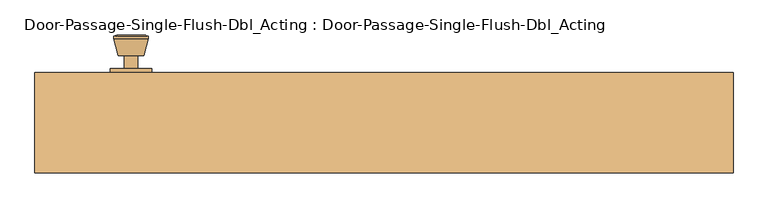
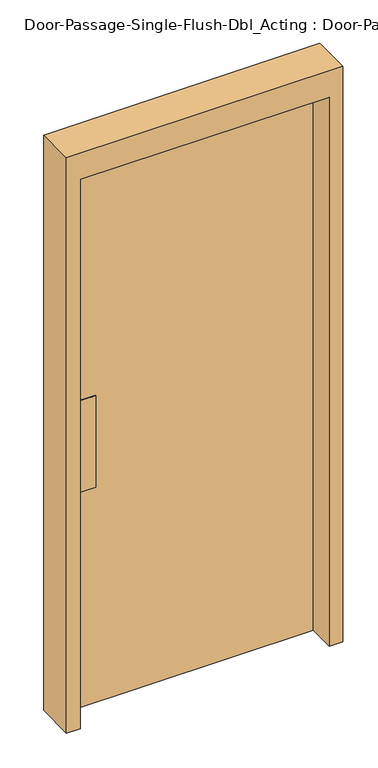
"""IFC4 building model written with IfcOpenShell, lengths in millimetres: door geometry, Door-Passage-Single-Flush-Dbl_Acting : Door-Passage-Single-Flush-Dbl_Acting."""

import ifcopenshell
import ifcopenshell.guid

model = None  # the IFC model being written
_history = None  # IfcOwnerHistory: only IFC2X3 demands one
_inside = {}  # id of a spatial element -> (the spatial element, [elements in it])
_under = {}  # id of a project, library or spatial element -> (it, [spatial elements below it])
_declared = {}  # id of a project -> (the project, [libraries it declares])
_typed = {}  # id of a type object -> (the type object, [elements of that type])
_made_of = {}  # id of a material, layer set ... -> (it, [elements and type objects made of it])


def new_model(schema):
    """Start an empty IFC model of exactly this schema.

    Asked for "IFC4X3", IfcOpenShell would pick the latest addendum, in which some entities
    have other attributes; the version numbers below select the first issue.
    IFC2X3 requires an IfcOwnerHistory on every rooted entity: one is made here for all.
    """
    global model, _history
    if schema == "IFC4X3":
        model = ifcopenshell.file(schema_version=(4, 3, 0, 0))
    else:
        model = ifcopenshell.file(schema=schema)
    _inside.clear()
    _under.clear()
    _declared.clear()
    _typed.clear()
    _made_of.clear()
    _history = None
    if model.schema == "IFC2X3":
        org = make("IfcOrganization", Name="unknown")
        user = make(
            "IfcPersonAndOrganization",
            ThePerson=make("IfcPerson", FamilyName="unknown"),
            TheOrganization=org,
        )
        app = make(
            "IfcApplication",
            ApplicationDeveloper=org,
            Version="unknown",
            ApplicationFullName="unknown",
            ApplicationIdentifier="unknown",
        )
        _history = make(
            "IfcOwnerHistory",
            OwningUser=user,
            OwningApplication=app,
            ChangeAction="ADDED",
            CreationDate=0,
        )
    return model


def make(cls, **values):
    """One entity of the class cls with the attributes given. An attribute that is None is left unset."""
    return model.create_entity(
        cls, **{name: value for name, value in values.items() if value is not None}
    )


def rooted(cls, **values):
    """An entity with a GlobalId (a new one), such as an element, a storey or a relation."""
    return make(cls, GlobalId=ifcopenshell.guid.new(), OwnerHistory=_history, **values)


def si_unit(unit_type, name, prefix=None):
    """IfcSIUnit, for example si_unit("LENGTHUNIT", "METRE", prefix="MILLI")."""
    return make("IfcSIUnit", UnitType=unit_type, Prefix=prefix, Name=name)


def assignment(units):
    """IfcUnitAssignment: the units of a project."""
    return None if units is None else make("IfcUnitAssignment", Units=units)


def point(xyz):
    """IfcCartesianPoint."""
    return None if xyz is None else make("IfcCartesianPoint", Coordinates=xyz)


def direction(xyz):
    """IfcDirection."""
    return None if xyz is None else make("IfcDirection", DirectionRatios=xyz)


def frame(location, z_axis=None, x_axis=None):
    """IfcAxis2Placement3D, a coordinate frame: its origin and axes. An axis left out is left unset."""
    return make(
        "IfcAxis2Placement3D",
        Location=point(location),
        Axis=direction(z_axis),
        RefDirection=direction(x_axis),
    )


def frame_2d(location, x_axis=None):
    """IfcAxis2Placement2D, a coordinate frame in the plane: its origin and x axis."""
    return make(
        "IfcAxis2Placement2D", Location=point(location), RefDirection=direction(x_axis)
    )


def origin():
    """The frame at (0, 0, 0) with its axes left unset."""
    return frame((0.0, 0.0, 0.0))


def origin_with_axes():
    """The frame at (0, 0, 0) with the z axis (0, 0, 1) and the x axis (1, 0, 0) written out."""
    return frame((0.0, 0.0, 0.0), z_axis=(0.0, 0.0, 1.0), x_axis=(1.0, 0.0, 0.0))


def place(relative_to, where):
    """IfcLocalPlacement: puts the frame where relative to a parent placement (None: the world)."""
    return make(
        "IfcLocalPlacement", PlacementRelTo=relative_to, RelativePlacement=where
    )


def context(
    kind, dimensions, precision=None, world=None, true_north=None, identifier=None
):
    """IfcGeometricRepresentationContext, for example the 3D "Model" context."""
    return make(
        "IfcGeometricRepresentationContext",
        ContextIdentifier=identifier,
        ContextType=kind,
        CoordinateSpaceDimension=dimensions,
        Precision=precision,
        WorldCoordinateSystem=world,
        TrueNorth=true_north,
    )


def project(units=None, contexts=None):
    """IfcProject with its units and contexts."""
    return rooted(
        "IfcProject",
        Name="project",
        RepresentationContexts=contexts,
        UnitsInContext=assignment(units),
    )


def spatial(cls, under=None, at=None, **own):
    """A site, building, storey or space (cls), placed at a placement, below another one or the project."""
    s = rooted(cls, ObjectPlacement=at, **own)
    if under is not None:
        _under.setdefault(under.id(), (under, []))[1].append(s)
    return s


def polyline(points):
    """IfcPolyline through the points."""
    return make("IfcPolyline", Points=[point(p) for p in points])


def circle_curve(where, radius):
    """IfcCircle in the frame where."""
    return make("IfcCircle", Position=where, Radius=radius)


def trimmed(basis, trim1, trim2, sense, master):
    """IfcTrimmedCurve: the piece of a basis curve between two trims."""
    return make(
        "IfcTrimmedCurve",
        BasisCurve=basis,
        Trim1=trim1,
        Trim2=trim2,
        SenseAgreement=sense,
        MasterRepresentation=master,
    )


def segment(curve, same_sense, transition):
    """IfcCompositeCurveSegment."""
    return make(
        "IfcCompositeCurveSegment",
        Transition=transition,
        SameSense=same_sense,
        ParentCurve=curve,
    )


def composite_curve(segments, self_intersect=None):
    """IfcCompositeCurve: segments joined end to end."""
    return make("IfcCompositeCurve", Segments=segments, SelfIntersect=self_intersect)


def outline(outer, holes=None, kind="AREA"):
    """IfcArbitraryClosedProfileDef: a profile drawn as a closed curve; with holes, ...WithVoids."""
    if holes is None:
        return make("IfcArbitraryClosedProfileDef", ProfileType=kind, OuterCurve=outer)
    return make(
        "IfcArbitraryProfileDefWithVoids",
        ProfileType=kind,
        OuterCurve=outer,
        InnerCurves=holes,
    )


def extrude(swept, where, along, depth):
    """IfcExtrudedAreaSolid: the profile swept, set in the frame where, extruded along a direction by depth."""
    return make(
        "IfcExtrudedAreaSolid",
        SweptArea=swept,
        Position=where,
        ExtrudedDirection=direction(along),
        Depth=depth,
    )


def shape(context_of_items, identifier, shape_type, items):
    """IfcShapeRepresentation: the items that make up one representation, for example the "Body"."""
    return make(
        "IfcShapeRepresentation",
        ContextOfItems=context_of_items,
        RepresentationIdentifier=identifier,
        RepresentationType=shape_type,
        Items=items,
    )


def source(mapping_origin, context_of_items, identifier, shape_type, items):
    """IfcRepresentationMap: a shape defined once, which mapped items show again and again."""
    return make(
        "IfcRepresentationMap",
        MappingOrigin=mapping_origin,
        MappedRepresentation=shape(context_of_items, identifier, shape_type, items),
    )


def transform(
    local_origin,
    x_axis=None,
    y_axis=None,
    z_axis=None,
    scale=None,
    scale2=None,
    scale3=None,
    uniform=True,
):
    """IfcCartesianTransformationOperator3D, or its non-uniform kind. x_axis, y_axis, z_axis: its Axis1, 2, 3."""
    if uniform:
        return make(
            "IfcCartesianTransformationOperator3D",
            Axis1=direction(x_axis),
            Axis2=direction(y_axis),
            LocalOrigin=point(local_origin),
            Scale=scale,
            Axis3=direction(z_axis),
        )
    return make(
        "IfcCartesianTransformationOperator3DnonUniform",
        Axis1=direction(x_axis),
        Axis2=direction(y_axis),
        LocalOrigin=point(local_origin),
        Scale=scale,
        Axis3=direction(z_axis),
        Scale2=scale2,
        Scale3=scale3,
    )


def mapped(mapping_source, mapping_target):
    """IfcMappedItem: shows the shape of a source again, moved by a transform."""
    return make(
        "IfcMappedItem", MappingSource=mapping_source, MappingTarget=mapping_target
    )


def made_of(thing, what):
    """Note that an element or type object is made of a material, layer set ...; save() writes the relation."""
    if what is not None:
        _made_of.setdefault(what.id(), (what, []))[1].append(thing)
    return thing


def element(
    cls,
    number,
    at=None,
    inside=None,
    cuts=None,
    type_object=None,
    material=None,
    context=None,
    identifier="Body",
    shape_type=None,
    held_by="IfcProductDefinitionShape",
    body=None,
    shapes=None,
    **own,
):
    """One element of the class cls, such as IfcWall. Its Tag is "e" and its number.

    at: its placement. inside: the storey or other place that contains it. cuts: it is an
    opening in that element (IfcRelVoidsElement). A single representation is given by context,
    identifier, shape_type and body (its items); several are given by shapes. held_by: the class
    of the entity that holds the representations. save() writes the other relations.
    """
    e = rooted(cls, Tag="e%d" % number, ObjectPlacement=at, **own)
    if body is not None:
        shapes = [shape(context, identifier, shape_type, body)]
    if shapes is not None:
        e.Representation = make(held_by, Representations=shapes)
    if inside is not None:
        _inside.setdefault(inside.id(), (inside, []))[1].append(e)
    if cuts is not None:
        rooted(
            "IfcRelVoidsElement", RelatingBuildingElement=cuts, RelatedOpeningElement=e
        )
    if type_object is not None:
        _typed.setdefault(type_object.id(), (type_object, []))[1].append(e)
    return made_of(e, material)


def aggregate(whole, parts):
    """IfcRelAggregates: a whole, such as a stair, and the parts it consists of."""
    return rooted("IfcRelAggregates", RelatingObject=whole, RelatedObjects=parts)


def save(model, path):
    """Write the relations noted so far, then the file.

    IfcRelAggregates (storeys below a building ...), IfcRelContainedInSpatialStructure (elements
    in a storey), IfcRelDefinesByType, IfcRelAssociatesMaterial and IfcRelDeclares: one each for
    every whole, place, type object, material and project.
    """
    for whole, parts in _under.values():
        aggregate(whole, parts)
    for where, things in _inside.values():
        rooted(
            "IfcRelContainedInSpatialStructure",
            RelatedElements=things,
            RelatingStructure=where,
        )
    for kind, things in _typed.values():
        rooted("IfcRelDefinesByType", RelatedObjects=things, RelatingType=kind)
    for what, things in _made_of.values():
        rooted("IfcRelAssociatesMaterial", RelatedObjects=things, RelatingMaterial=what)
    for by, libraries in _declared.values():
        rooted("IfcRelDeclares", RelatingContext=by, RelatedDefinitions=libraries)
    model.write(path)


def plane_surface(at):
    """IfcPlane: the flat surface through the origin of the frame at, square to its z axis."""
    return make("IfcPlane", Position=at)


def cylinder_surface(at, radius):
    """IfcCylindricalSurface: all points at the distance radius from the z axis of the frame at."""
    return make("IfcCylindricalSurface", Position=at, Radius=radius)


def revolved_surface(curve, axis_point, axis_direction):
    """IfcSurfaceOfRevolution: the curve turned about the line through axis_point along axis_direction."""
    return make(
        "IfcSurfaceOfRevolution",
        SweptCurve=make("IfcArbitraryOpenProfileDef", ProfileType="CURVE", Curve=curve),
        AxisPosition=make("IfcAxis1Placement", Location=point(axis_point), Axis=direction(axis_direction)),
    )


def advanced_brep(points, edges, surfaces, faces):
    """IfcAdvancedBrep: a solid bounded by faces that lie on surfaces and meet in shared edges.

    An edge is (start, end): straight between two places in points (the first is 0);
    or (start, end, curve); or (start, end, curve, False) where it runs against its curve.
    A face is (place in surfaces, loops), or (place, loops, False) where it looks against
    its surface's normal. A loop lists edges by number (the first is 1), with a minus sign
    where the edge is run from its end to its start. The first loop is the outer one.
    """
    corners = [point(p) for p in points]
    vertices = [make("IfcVertexPoint", VertexGeometry=c) for c in corners]
    made = []
    for start, end, *more in edges:
        made.append(
            make(
                "IfcEdgeCurve",
                EdgeStart=vertices[start],
                EdgeEnd=vertices[end],
                EdgeGeometry=more[0] if more else make("IfcPolyline", Points=[corners[start], corners[end]]),
                SameSense=more[1] if len(more) > 1 else True,
            )
        )
    hull = []
    for where, loops, *sense in faces:
        bounds = []
        for j, loop in enumerate(loops):
            ring = [make("IfcOrientedEdge", EdgeElement=made[abs(k) - 1], Orientation=k > 0) for k in loop]
            bounds.append(
                make(
                    "IfcFaceOuterBound" if j == 0 else "IfcFaceBound",
                    Bound=make("IfcEdgeLoop", EdgeList=ring),
                    Orientation=True,
                )
            )
        hull.append(make("IfcAdvancedFace", Bounds=bounds, FaceSurface=surfaces[where], SameSense=sense[0] if sense else True))
    return make("IfcAdvancedBrep", Outer=make("IfcClosedShell", CfsFaces=hull))


def door_passage_single_flush_dbl_acting_door_passage_single_1b7eae16(model_context):
    return source(origin(), model_context, "Body", "SolidModel", [
        advanced_brep(
        [(-368.3, 88.55, 1016.0), (-378.3, 88.55, 1016.0), (-358.3, 88.55, 1016.0), (-347.8241324, 137.55, 1016.0), (-388.7758676, 137.55, 1016.0), (-368.3, 137.55, 1016.0), (-343.3, 135.7221319, 1016.0), (-393.3, 135.7221319, 1016.0), (-343.3, 132.2584537, 1016.0), (-393.3, 132.2584537, 1016.0), (-349.663764, 107.55, 1016.0), (-386.936236, 107.55, 1016.0), (-358.3, 107.55, 1016.0), (-378.3, 107.55, 1016.0)],
        [
            (0, 1),
            (1, 2, circle_curve(frame((-368.3, 88.55, 1016.0), z_axis=(0.0, -1.0, 0.0), x_axis=(-1.0, 0.0, 0.0)), 10.0)),
            (2, 0),
            (2, 1, circle_curve(frame((-368.3, 88.55, 1016.0), z_axis=(0.0, -1.0, 0.0), x_axis=(-1.0, 0.0, 0.0)), 10.0)),
            (3, 4, circle_curve(frame((-368.3, 137.55, 1016.0), z_axis=(0.0, 1.0, 0.0), x_axis=(-1.0, 0.0, 0.0)), 20.4758676)),
            (4, 5),
            (5, 3),
            (4, 3, circle_curve(frame((-368.3, 137.55, 1016.0), z_axis=(0.0, 1.0, 0.0), x_axis=(-1.0, 0.0, 0.0)), 20.4758676)),
            (6, 7, circle_curve(frame((-368.3, 135.7221319, 1016.0), z_axis=(0.0, 1.0, 0.0), x_axis=(-1.0, 0.0, 0.0)), 25.0)),
            (7, 4),
            (3, 6),
            (7, 6, circle_curve(frame((-368.3, 135.7221319, 1016.0), z_axis=(0.0, 1.0, 0.0), x_axis=(-1.0, 0.0, 0.0)), 25.0)),
            (8, 9, circle_curve(frame((-368.3, 132.2584537, 1016.0), z_axis=(0.0, 1.0, 0.0), x_axis=(-1.0, 0.0, 0.0)), 25.0)),
            (9, 7),
            (6, 8),
            (9, 8, circle_curve(frame((-368.3, 132.2584537, 1016.0), z_axis=(0.0, 1.0, 0.0), x_axis=(-1.0, 0.0, 0.0)), 25.0)),
            (10, 11, circle_curve(frame((-368.3, 107.55, 1016.0), z_axis=(0.0, 1.0, 0.0), x_axis=(-1.0, 0.0, 0.0)), 18.636236)),
            (11, 9),
            (8, 10),
            (11, 10, circle_curve(frame((-368.3, 107.55, 1016.0), z_axis=(0.0, 1.0, 0.0), x_axis=(-1.0, 0.0, 0.0)), 18.636236)),
            (12, 13, circle_curve(frame((-368.3, 107.55, 1016.0), z_axis=(0.0, 1.0, 0.0), x_axis=(-1.0, 0.0, 0.0)), 10.0)),
            (13, 11),
            (10, 12),
            (13, 12, circle_curve(frame((-368.3, 107.55, 1016.0), z_axis=(0.0, 1.0, 0.0), x_axis=(-1.0, 0.0, 0.0)), 10.0)),
            (1, 13),
            (12, 2),
        ],
        [
            plane_surface(frame((-368.3, 88.55, 1016.0), z_axis=(0.0, -1.0, 0.0), x_axis=(-1.0, 0.0, 0.0))),
            plane_surface(frame((-368.3, 137.55, 1016.0), z_axis=(0.0, 1.0, 0.0), x_axis=(-1.0, 0.0, 0.0))),
            revolved_surface(polyline([(-388.7758676, 137.55, 1016.0), (-393.3, 135.7221319, 1016.0)]), (-368.3, 88.55, 1016.0), (0.0, -1.0, 0.0)),
            cylinder_surface(frame((-368.3, 88.55, 1016.0), z_axis=(0.0, -1.0, 0.0), x_axis=(-1.0, 0.0, 0.0)), 25.0),
            revolved_surface(polyline([(-393.3, 132.2584537, 1016.0), (-386.936236, 107.55, 1016.0)]), (-368.3, 88.55, 1016.0), (0.0, -1.0, 0.0)),
            plane_surface(frame((-368.3, 107.55, 1016.0), z_axis=(0.0, -1.0, 0.0), x_axis=(-1.0, 0.0, 0.0))),
            cylinder_surface(frame((-368.3, 88.55, 1016.0), z_axis=(0.0, -1.0, 0.0), x_axis=(-1.0, 0.0, 0.0)), 10.0),
        ],
        [
            (0, [[1, 2, 3]]),
            (0, [[-3, 4, -1]]),
            (1, [[5, 6, 7]]),
            (1, [[8, -7, -6]]),
            (2, [[9, 10, -5, 11]]),
            (2, [[12, -11, -8, -10]]),
            (3, [[13, 14, -9, 15]]),
            (3, [[16, -15, -12, -14]]),
            (4, [[17, 18, -13, 19]]),
            (4, [[20, -19, -16, -18]]),
            (5, [[21, 22, -17, 23]]),
            (5, [[24, -23, -20, -22]]),
            (6, [[-2, 25, -21, 26]]),
            (6, [[-4, -26, -24, -25]]),
        ],
    ),
        extrude(outline(composite_curve([segment(trimmed(circle_curve(frame_2d((1016.0, -368.3)), 30.0), [point((1016.0, -398.3))], [point((1016.0, -338.3))], False, "CARTESIAN"), True, "CONTINUOUS"), segment(trimmed(circle_curve(frame_2d((1016.0, -368.3)), 30.0), [point((1016.0, -338.3))], [point((1016.0, -398.3))], False, "CARTESIAN"), True, "CONTINUOUS")], self_intersect=False)), frame((0.0, 82.55, 0.0), z_axis=(0.0, 1.0, 0.0), x_axis=(0.0, 0.0, 1.0)), (0.0, 0.0, 1.0), 6.0),
        extrude(outline(polyline([(-419.1, 34.925), (-419.1, 38.1), (-342.9, 38.1), (-342.9, 34.925), (-419.1, 34.925)])), frame((0.0, 0.0, 838.2), z_axis=(0.0, 0.0, 1.0), x_axis=(1.0, 0.0, 0.0)), (0.0, 0.0, 1.0), 355.6),
        extrude(outline(polyline([(0.0, 457.2), (0.0, 508.0), (2235.2, 508.0), (2235.2, -508.0), (0.0, -508.0), (0.0, -457.2), (2133.6, -457.2), (2133.6, 457.2), (0.0, 457.2)])), frame((0.0, -63.5, 0.0), z_axis=(0.0, 1.0, 0.0), x_axis=(0.0, 0.0, 1.0)), (0.0, 0.0, 1.0), 146.05),
        extrude(outline(polyline([(457.2, 38.1), (-457.2, 38.1), (-457.2, 82.55), (457.2, 82.55), (457.2, 38.1)])), origin_with_axes(), (0.0, 0.0, 1.0), 2133.6),
    ])


if __name__ == "__main__":
    model = new_model("IFC4")
    model_context = context("Model", 3, world=origin())
    ifc_project = project(units=[si_unit("LENGTHUNIT", "METRE", prefix="MILLI")], contexts=[model_context])
    site = spatial("IfcSite", under=ifc_project)
    building = spatial("IfcBuilding", under=site)
    placement = place(None, origin())
    door_passage_single_flush_dbl_acting_door_passage_single_shape = door_passage_single_flush_dbl_acting_door_passage_single_1b7eae16(model_context)
    element("IfcDoor", 1, ObjectType="Door-Passage-Single-Flush-Dbl_Acting : Door-Passage-Single-Flush-Dbl_Acting", at=placement, inside=building, context=model_context, shape_type="MappedRepresentation", body=[
        mapped(door_passage_single_flush_dbl_acting_door_passage_single_shape, transform((0.0, 0.0, 0.0), x_axis=(1.0, 0.0, 0.0), y_axis=(0.0, 1.0, 0.0), z_axis=(0.0, 0.0, 1.0))),
    ])
    save(model, "model.ifc")
